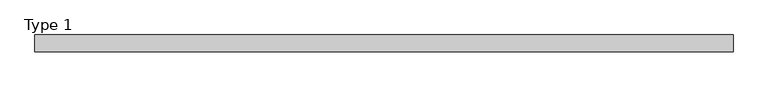
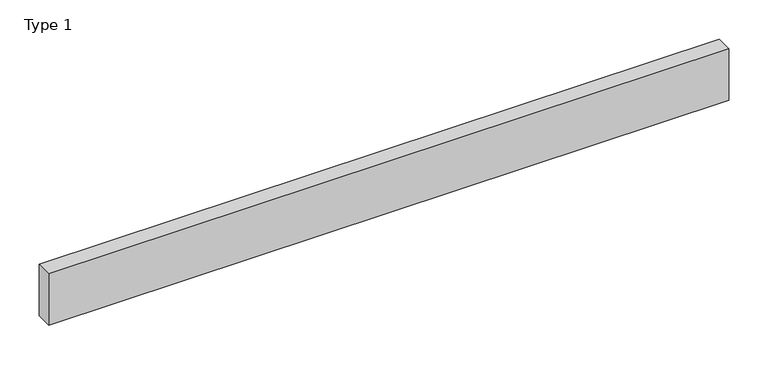
"""IFC4 building model written with IfcOpenShell, lengths in millimetres: air terminal geometry, Type 1."""

from ifc_helpers import new_model, si_unit, origin, origin_with_axes, place, context, project, spatial, polyline, outline, extrude, source, transform, mapped, element, save


def type_1_cf49375f(model_context):
    return source(origin(), model_context, "Body", "SweptSolid", [
        extrude(outline(polyline([(499.75, 12.0), (499.75, -12.0), (-499.75, -12.0), (-499.75, 12.0), (499.75, 12.0)])), origin_with_axes(), (0.0, 0.0, 1.0), 80.0),
    ])


if __name__ == "__main__":
    model = new_model("IFC4")
    model_context = context("Model", 3, world=origin())
    ifc_project = project(units=[si_unit("LENGTHUNIT", "METRE", prefix="MILLI")], contexts=[model_context])
    site = spatial("IfcSite", under=ifc_project)
    building = spatial("IfcBuilding", under=site)
    placement = place(None, origin())
    type_1_shape = type_1_cf49375f(model_context)
    element("IfcAirTerminal", 1, ObjectType="Type 1", at=placement, inside=building, context=model_context, shape_type="MappedRepresentation", body=[
        mapped(type_1_shape, transform((0.0, 0.0, 0.0), x_axis=(1.0, 0.0, 0.0), y_axis=(0.0, 1.0, 0.0), z_axis=(0.0, 0.0, 1.0))),
    ])
    save(model, "model.ifc")
